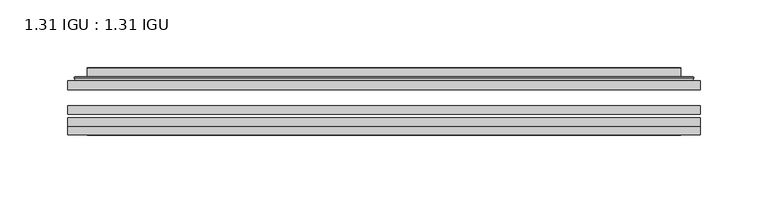
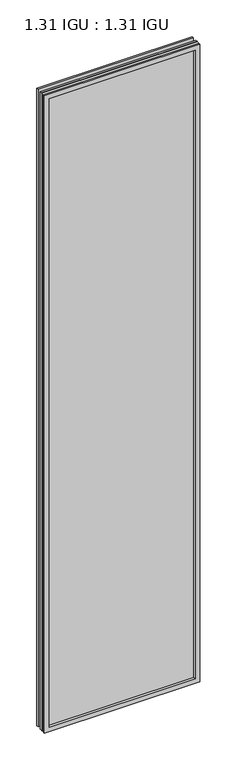
"""IFC4 building model written with IfcOpenShell, lengths in millimetres: plate geometry, 1.31 IGU : 1.31 IGU."""

from ifc_helpers import new_model, si_unit, frame, origin, place, context, project, spatial, polyline, ellipse_curve, outline, extrude, faceted_brep, source, transform, mapped, element, save
from ifc_brep_helpers import plane_surface, cylinder_surface, advanced_brep


def plate_1_31_igu_1_31_igu_a54ee378(model_context):
    return source(origin(), model_context, "Body", "SolidModel", [
        extrude(outline(polyline([(233.376675, -63.2975937), (233.376675, -69.6475938), (-233.3625, -69.6475938), (-233.3625, -63.2975937), (233.376675, -63.2975937)])), frame((0.0, 0.0, -14.2875), z_axis=(0.0, 0.0, 1.0), x_axis=(1.0, 0.0, 0.0)), (0.0, 0.0, 1.0), 2022.4787979),
        extrude(outline(polyline([(-233.3625, -78.2835938), (-233.3625, -71.9330887), (233.376675, -71.9330887), (233.376675, -78.2835938), (-233.3625, -78.2835938)])), frame((0.0, 0.0, -14.2875), z_axis=(0.0, 0.0, 1.0), x_axis=(1.0, 0.0, 0.0)), (0.0, 0.0, 1.0), 2022.4787979),
        extrude(outline(polyline([(233.376675, -44.9587937), (233.376675, -51.3087938), (-233.3625, -51.3087938), (-233.3625, -44.9587937), (233.376675, -44.9587937)])), frame((0.0, 0.0, -14.2875), z_axis=(0.0, 0.0, 1.0), x_axis=(1.0, 0.0, 0.0)), (0.0, 0.0, 1.0), 2022.4787979),
        faceted_brep([(-233.3752, -84.6335937, 2008.2002), (-233.3752, -78.2835937, 2008.2002), (-233.3752, -78.2835937, -14.3002), (-233.3752, -84.6335937, -14.3002), (233.3752, -78.2835937, -14.3002), (233.3752, -84.6335937, -14.3002), (233.3752, -78.2835937, 2008.2002), (233.3752, -84.6335937, 2008.2002), (-218.1772559, -78.2835937, 0.8977441), (218.1772559, -78.2835937, 0.8977441), (218.1772559, -78.2835937, 1993.0022559), (-218.1772559, -78.2835937, 1993.0022559), (-219.0696902, -84.6335937, 1993.8946902), (219.0696902, -84.6335937, 1993.8946902), (219.0696902, -84.6335937, 0.0053098), (-219.0696902, -84.6335937, 0.0053098)], [[[0, 1, 2, 3]], [[3, 2, 4, 5]], [[5, 4, 6, 7]], [[1, 6, 4, 2], [8, 9, 10, 11]], [[7, 6, 1, 0]], [[3, 5, 7, 0], [12, 13, 14, 15]], [[11, 12, 15, 8]], [[8, 15, 14, 9]], [[9, 14, 13, 10]], [[10, 13, 12, 11]]]),
        advanced_brep(
        [(-226.121219, -44.9587937, 2000.946219), (-228.4754244, -42.9691271, 2003.3004244), (-228.4754244, -42.9691271, -9.4004244), (-226.121219, -44.9587937, -7.046219), (-217.0468939, -41.1187568, 1991.8718939), (-212.1120621, -44.9587937, 1986.9370621), (-212.1120621, -44.9587937, 6.9629379), (-217.0468939, -41.1187568, 2.0281061), (-218.0789217, -35.7215256, 1992.9039217), (-218.0789217, -35.7215256, 0.9960783), (-219.0695784, -35.3225507, 1993.8945784), (-219.0695784, -35.3225507, 0.0054216), (-219.0695784, -41.7837937, 1993.8945784), (-219.0695784, -41.7837937, 0.0054216), (-227.4736349, -41.7837937, 2002.2986349), (-227.4736349, -41.7837937, -8.3986349), (228.4754244, -42.9691271, -9.4004244), (226.121219, -44.9587937, -7.046219), (212.1120621, -44.9587937, 6.9629379), (217.0468939, -41.1187568, 2.0281061), (218.0789217, -35.7215256, 0.9960783), (219.0695784, -35.3225507, 0.0054216), (219.0695784, -41.7837937, 0.0054216), (227.4736349, -41.7837937, -8.3986349), (228.4754244, -42.9691271, 2003.3004244), (226.121219, -44.9587937, 2000.946219), (212.1120621, -44.9587937, 1986.9370621), (217.0468939, -41.1187568, 1991.8718939), (218.0789217, -35.7215256, 1992.9039217), (219.0695784, -35.3225507, 1993.8945784), (219.0695784, -41.7837937, 1993.8945784), (227.4736349, -41.7837937, 2002.2986349)],
        [
            (0, 1, ellipse_curve(frame((-226.121219, -42.5711937, 2000.946219), z_axis=(-0.7071067811865475, 0.0, -0.7071067811865475), x_axis=(-0.7071067811865474, 0.0, 0.7071067811865476)), 3.3765763, 2.3876)),
            (1, 2),
            (2, 3, ellipse_curve(frame((-226.121219, -42.5711937, -7.046219), z_axis=(-0.7071067811865475, 0.0, 0.7071067811865475), x_axis=(0.7071067811865474, 0.0, 0.7071067811865476)), 3.3765763, 2.3876)),
            (3, 0),
            (4, 5),
            (5, 6),
            (6, 7),
            (7, 4),
            (8, 4),
            (7, 9),
            (9, 8),
            (10, 8, ellipse_curve(frame((-218.7026219, -35.840786, 1993.5276219), z_axis=(-0.7071067811865475, 0.0, -0.7071067811865475), x_axis=(-0.7071067811865474, 0.0, 0.7071067811865476)), 0.8980256, 0.635)),
            (9, 11, ellipse_curve(frame((-218.7026219, -35.840786, 0.3723781), z_axis=(-0.7071067811865475, 0.0, 0.7071067811865475), x_axis=(0.7071067811865474, 0.0, 0.7071067811865476)), 0.8980256, 0.635)),
            (11, 10),
            (12, 10),
            (11, 13),
            (13, 12),
            (1, 14, ellipse_curve(frame((-227.4736349, -42.7997937, 2002.2986349), z_axis=(-0.7071067811865475, 0.0, -0.7071067811865475), x_axis=(-0.7071067811865474, 0.0, 0.7071067811865476)), 1.436841, 1.016)),
            (14, 15),
            (15, 2, ellipse_curve(frame((-227.4736349, -42.7997937, -8.3986349), z_axis=(-0.7071067811865475, 0.0, 0.7071067811865475), x_axis=(0.7071067811865474, 0.0, 0.7071067811865476)), 1.436841, 1.016)),
            (2, 16),
            (16, 17, ellipse_curve(frame((226.121219, -42.5711937, -7.046219), z_axis=(-0.7071067811865475, 0.0, -0.7071067811865475), x_axis=(-0.7071067811865476, 0.0, 0.7071067811865474)), 3.3765763, 2.3876)),
            (17, 3),
            (6, 18),
            (18, 19),
            (19, 7),
            (19, 20),
            (20, 9),
            (20, 21, ellipse_curve(frame((218.7026219, -35.840786, 0.3723781), z_axis=(-0.7071067811865475, 0.0, -0.7071067811865475), x_axis=(-0.7071067811865476, 0.0, 0.7071067811865474)), 0.8980256, 0.635)),
            (21, 11),
            (21, 22),
            (22, 13),
            (15, 23),
            (23, 16, ellipse_curve(frame((227.4736349, -42.7997937, -8.3986349), z_axis=(-0.7071067811865475, 0.0, -0.7071067811865475), x_axis=(-0.7071067811865476, 0.0, 0.7071067811865474)), 1.436841, 1.016)),
            (16, 24),
            (24, 25, ellipse_curve(frame((226.121219, -42.5711937, 2000.946219), z_axis=(0.7071067811865475, 0.0, -0.7071067811865475), x_axis=(-0.7071067811865474, 0.0, -0.7071067811865476)), 3.3765763, 2.3876)),
            (25, 17),
            (18, 26),
            (26, 27),
            (27, 19),
            (27, 28),
            (28, 20),
            (28, 29, ellipse_curve(frame((218.7026219, -35.840786, 1993.5276219), z_axis=(0.7071067811865475, 0.0, -0.7071067811865475), x_axis=(-0.7071067811865474, 0.0, -0.7071067811865476)), 0.8980256, 0.635)),
            (29, 21),
            (29, 30),
            (30, 22),
            (23, 31),
            (31, 24, ellipse_curve(frame((227.4736349, -42.7997937, 2002.2986349), z_axis=(0.7071067811865475, 0.0, -0.7071067811865475), x_axis=(-0.7071067811865474, 0.0, -0.7071067811865476)), 1.436841, 1.016)),
            (24, 1),
            (0, 25),
            (5, 26),
            (4, 27),
            (8, 28),
            (10, 29),
            (12, 30),
            (14, 31),
        ],
        [
            cylinder_surface(frame((-226.121219, -42.5711937, 2025.65), z_axis=(0.0, 0.0, 1.0), x_axis=(-1.0, 0.0, 0.0)), 2.3876),
            plane_surface(frame((-212.1120621, -44.9587937, 1986.9370621), z_axis=(0.6141233906514794, 0.7892100234124821, 0.0), x_axis=(0.0, 0.0, -1.0))),
            plane_surface(frame((-217.0468939, -41.1187568, 1991.8718939), z_axis=(0.9822050625507729, 0.18781164793386074, 0.0), x_axis=(0.0, 0.0, -1.0))),
            cylinder_surface(frame((-218.7026219, -35.840786, 2025.65), z_axis=(0.0, 0.0, 1.0), x_axis=(-1.0, 0.0, 0.0)), 0.635),
            plane_surface(frame((-219.0695784, -35.3225507, 1993.8945784), z_axis=(-1.0, 0.0, 0.0), x_axis=(0.0, 0.0, -1.0))),
            cylinder_surface(frame((-227.4736349, -42.7997937, 2025.65), z_axis=(0.0, 0.0, 1.0), x_axis=(-1.0, 0.0, 0.0)), 1.016),
            cylinder_surface(frame((-250.825, -42.5711937, -7.046219), z_axis=(-1.0, 0.0, 0.0), x_axis=(0.0, 0.0, -1.0)), 2.3876),
            plane_surface(frame((-212.1120621, -44.9587937, 6.9629379), z_axis=(0.0, 0.7892100234124841, 0.6141233906514768), x_axis=(1.0, 0.0, 0.0))),
            plane_surface(frame((-217.0468939, -41.1187568, 2.0281061), z_axis=(0.0, 0.18781164793386393, 0.9822050625507723), x_axis=(1.0, 0.0, 0.0))),
            cylinder_surface(frame((-250.825, -35.840786, 0.3723781), z_axis=(-1.0, 0.0, 0.0), x_axis=(0.0, 0.0, -1.0)), 0.635),
            plane_surface(frame((-219.0695784, -35.3225507, 0.0054216), z_axis=(0.0, 0.0, -1.0), x_axis=(1.0, 0.0, 0.0))),
            cylinder_surface(frame((-250.825, -42.7997937, -8.3986349), z_axis=(-1.0, 0.0, 0.0), x_axis=(0.0, 0.0, -1.0)), 1.016),
            cylinder_surface(frame((226.121219, -42.5711937, -31.75), z_axis=(0.0, 0.0, -1.0), x_axis=(1.0, 0.0, 0.0)), 2.3876),
            plane_surface(frame((212.1120621, -44.9587937, 6.9629379), z_axis=(-0.6141233906514743, 0.7892100234124861, 0.0), x_axis=(0.0, 0.0, 1.0))),
            plane_surface(frame((217.0468939, -41.1187568, 2.0281061), z_axis=(-0.9822050625507718, 0.18781164793386712, 0.0), x_axis=(0.0, 0.0, 1.0))),
            cylinder_surface(frame((218.7026219, -35.840786, -31.75), z_axis=(0.0, 0.0, -1.0), x_axis=(1.0, 0.0, 0.0)), 0.635),
            plane_surface(frame((219.0695784, -35.3225507, 0.0054216), z_axis=(1.0, 0.0, 0.0), x_axis=(0.0, 0.0, 1.0))),
            cylinder_surface(frame((227.4736349, -42.7997937, -31.75), z_axis=(0.0, 0.0, -1.0), x_axis=(1.0, 0.0, 0.0)), 1.016),
            cylinder_surface(frame((250.825, -42.5711937, 2000.946219), z_axis=(1.0, 0.0, 0.0), x_axis=(0.0, 0.0, 1.0)), 2.3876),
            plane_surface(frame((226.121219, -44.9587937, 2000.946219), z_axis=(0.0, -1.0, 0.0), x_axis=(-1.0, 0.0, 0.0))),
            plane_surface(frame((212.1120621, -44.9587937, 1986.9370621), z_axis=(0.0, 0.7892100234124841, -0.6141233906514768), x_axis=(-1.0, 0.0, 0.0))),
            plane_surface(frame((217.0468939, -41.1187568, 1991.8718939), z_axis=(0.0, 0.18781164793386393, -0.9822050625507723), x_axis=(-1.0, 0.0, 0.0))),
            cylinder_surface(frame((250.825, -35.840786, 1993.5276219), z_axis=(1.0, 0.0, 0.0), x_axis=(0.0, 0.0, 1.0)), 0.635),
            plane_surface(frame((219.0695784, -35.3225507, 1993.8945784), z_axis=(0.0, 0.0, 1.0), x_axis=(-1.0, 0.0, 0.0))),
            plane_surface(frame((219.0695784, -41.7837937, 1993.8945784), z_axis=(0.0, 1.0, 0.0), x_axis=(-1.0, 0.0, 0.0))),
            cylinder_surface(frame((250.825, -42.7997937, 2002.2986349), z_axis=(1.0, 0.0, 0.0), x_axis=(0.0, 0.0, 1.0)), 1.016),
        ],
        [
            (0, [[1, 2, 3, 4]]),
            (1, [[5, 6, 7, 8]]),
            (2, [[9, -8, 10, 11]]),
            (3, [[12, -11, 13, 14]]),
            (4, [[15, -14, 16, 17]]),
            (5, [[18, 19, 20, -2]]),
            (6, [[-3, 21, 22, 23]]),
            (7, [[-7, 24, 25, 26]]),
            (8, [[-10, -26, 27, 28]]),
            (9, [[-13, -28, 29, 30]]),
            (10, [[-16, -30, 31, 32]]),
            (11, [[-20, 33, 34, -21]]),
            (12, [[-22, 35, 36, 37]]),
            (13, [[-25, 38, 39, 40]]),
            (14, [[-27, -40, 41, 42]]),
            (15, [[-29, -42, 43, 44]]),
            (16, [[-31, -44, 45, 46]]),
            (17, [[-34, 47, 48, -35]]),
            (18, [[-36, 49, -1, 50]]),
            (19, [[-23, -37, -50, -4], [51, -38, -24, -6]]),
            (20, [[-39, -51, -5, 52]]),
            (21, [[-41, -52, -9, 53]]),
            (22, [[-43, -53, -12, 54]]),
            (23, [[-45, -54, -15, 55]]),
            (24, [[56, -47, -33, -19], [-32, -46, -55, -17]]),
            (25, [[-48, -56, -18, -49]]),
        ],
    ),
    ])


if __name__ == "__main__":
    model = new_model("IFC4")
    model_context = context("Model", 3, world=origin())
    ifc_project = project(units=[si_unit("LENGTHUNIT", "METRE", prefix="MILLI")], contexts=[model_context])
    site = spatial("IfcSite", under=ifc_project)
    building = spatial("IfcBuilding", under=site)
    placement = place(None, origin())
    plate_1_31_igu_1_31_igu_shape = plate_1_31_igu_1_31_igu_a54ee378(model_context)
    element("IfcPlate", 1, ObjectType="1.31 IGU : 1.31 IGU", at=placement, inside=building, context=model_context, shape_type="MappedRepresentation", body=[
        mapped(plate_1_31_igu_1_31_igu_shape, transform((0.0, 0.0, 0.0), x_axis=(1.0, 0.0, 0.0), y_axis=(0.0, 1.0, 0.0), z_axis=(0.0, 0.0, 1.0))),
    ])
    save(model, "model.ifc")
